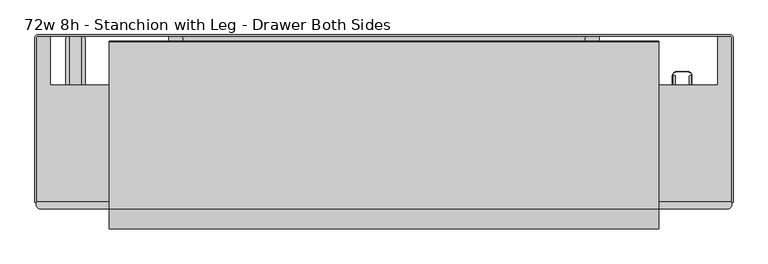
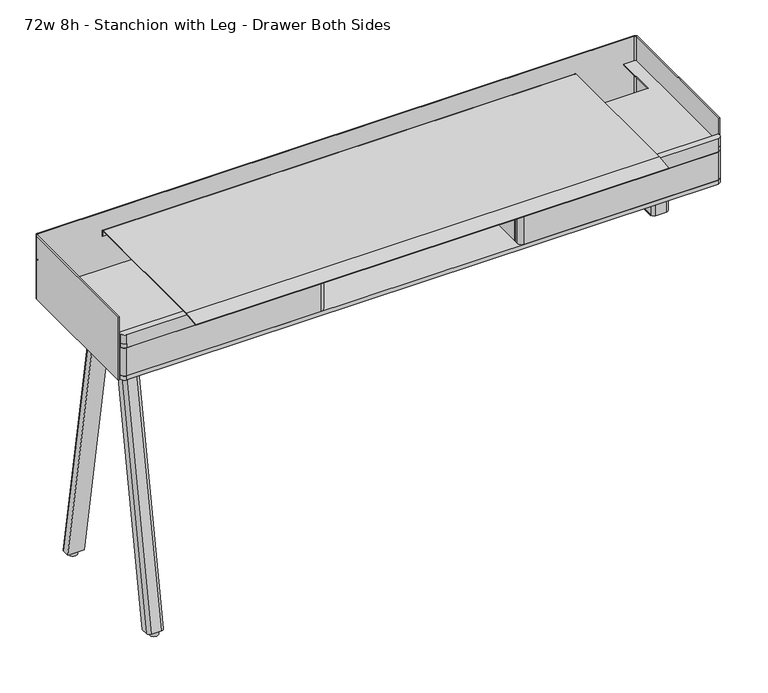
"""IFC4 building model written with IfcOpenShell, lengths in millimetres: furniture geometry, 72w 8h - Stanchion with Leg - Drawer Both Sides."""

from ifc_helpers import new_model, si_unit, point, frame, frame_2d, origin, origin_with_axes, place, context, project, spatial, polyline, circle_curve, trimmed, segment, composite_curve, outline, extrude, source, transform, mapped, element, save
from ifc_brep_helpers import plane_surface, cylinder_surface, extruded_surface, advanced_brep


def furniture_72w_8h_stanchion_with_leg_drawer_both_sides_f24aacc6(model_context):
    return source(origin(), model_context, "Body", "SolidModel", [
        extrude(outline(composite_curve([segment(polyline([(802.7063448, -138.5569981), (806.45, -138.5569981), (806.45, -382.1430019), (802.7063448, -382.1430019)]), True, "CONTINUOUS"), segment(trimmed(circle_curve(frame_2d((802.7063448, -378.967905)), 3.1750969), [point((802.7063448, -382.1430019))], [point((799.5312479, -378.967905))], False, "CARTESIAN"), True, "CONTINUOUS"), segment(polyline([(799.5312479, -378.967905), (799.5312479, -350.510544)]), True, "CONTINUOUS"), segment(trimmed(circle_curve(frame_2d((796.3606339, -350.510544)), 3.170614), [point((799.5312479, -350.510544))], [point((796.3606339, -347.3399301))], True, "CARTESIAN"), True, "CONTINUOUS"), segment(polyline([(796.3606339, -347.3399301), (762.5842298, -347.3399301), (762.5842298, -382.1430019), (755.65, -382.1430019), (755.65, -138.5569981), (762.5842298, -138.5569981), (762.5842298, -173.3600699), (796.3606339, -173.3600699)]), True, "CONTINUOUS"), segment(trimmed(circle_curve(frame_2d((796.3606339, -170.189456)), 3.170614), [point((796.3606339, -173.3600699))], [point((799.5312479, -170.189456))], True, "CARTESIAN"), True, "CONTINUOUS"), segment(polyline([(799.5312479, -170.189456), (799.5312479, -141.732095)]), True, "CONTINUOUS"), segment(trimmed(circle_curve(frame_2d((802.7063448, -141.732095)), 3.1750969), [point((799.5312479, -141.732095))], [point((802.7063448, -138.5569981))], False, "CARTESIAN"), True, "CONTINUOUS")], self_intersect=False)), frame((0.0, 0.0, 741.3625), z_axis=(0.0, 0.0, 1.0), x_axis=(1.0, 0.0, 0.0)), (0.0, 0.0, 1.0), 2.778125),
        extrude(outline(composite_curve([segment(trimmed(circle_curve(frame_2d((796.925, -138.1125)), 9.525), [point((796.925, -128.5875))], [point((806.45, -138.1125))], False, "CARTESIAN"), True, "CONTINUOUS"), segment(polyline([(806.45, -138.1125), (806.45, -382.5875)]), True, "CONTINUOUS"), segment(trimmed(circle_curve(frame_2d((796.925, -382.5875)), 9.525), [point((806.45, -382.5875))], [point((796.925, -392.1125))], False, "CARTESIAN"), True, "CONTINUOUS"), segment(polyline([(796.925, -392.1125), (765.175, -392.1125)]), True, "CONTINUOUS"), segment(trimmed(circle_curve(frame_2d((765.175, -382.5875)), 9.525), [point((765.175, -392.1125))], [point((755.65, -382.5875))], False, "CARTESIAN"), True, "CONTINUOUS"), segment(polyline([(755.65, -382.5875), (755.65, -138.1125)]), True, "CONTINUOUS"), segment(trimmed(circle_curve(frame_2d((765.175, -138.1125)), 9.525), [point((755.65, -138.1125))], [point((765.175, -128.5875))], False, "CARTESIAN"), True, "CONTINUOUS"), segment(polyline([(765.175, -128.5875), (796.925, -128.5875)]), True, "CONTINUOUS")], self_intersect=False), holes=[composite_curve([segment(polyline([(796.925, -130.175), (765.175, -130.175)]), True, "CONTINUOUS"), segment(trimmed(circle_curve(frame_2d((765.175, -138.1125)), 7.9375), [point((765.175, -130.175))], [point((757.2375, -138.1125))], True, "CARTESIAN"), True, "CONTINUOUS"), segment(polyline([(757.2375, -138.1125), (757.2375, -382.5875)]), True, "CONTINUOUS"), segment(trimmed(circle_curve(frame_2d((765.175, -382.5875)), 7.9375), [point((757.2375, -382.5875))], [point((765.175, -390.525))], True, "CARTESIAN"), True, "CONTINUOUS"), segment(polyline([(765.175, -390.525), (796.925, -390.525)]), True, "CONTINUOUS"), segment(trimmed(circle_curve(frame_2d((796.925, -382.5875)), 7.9375), [point((796.925, -390.525))], [point((804.8625, -382.5875))], True, "CARTESIAN"), True, "CONTINUOUS"), segment(polyline([(804.8625, -382.5875), (804.8625, -138.1125)]), True, "CONTINUOUS"), segment(trimmed(circle_curve(frame_2d((796.925, -138.1125)), 7.9375), [point((804.8625, -138.1125))], [point((796.925, -130.175))], True, "CARTESIAN"), True, "CONTINUOUS")], self_intersect=False)]), frame((0.0, 0.0, 744.140625), z_axis=(0.0, 0.0, 1.0), x_axis=(1.0, 0.0, 0.0)), (0.0, 0.0, 1.0), 106.759375),
        advanced_brep(
        [(-792.1625, -178.990625, 850.9), (-823.9125, -178.990625, 850.9), (-833.4375, -188.515625, 850.9), (-833.4375, -209.153125, 850.9), (-782.6375, -209.153125, 850.9), (-782.6375, -188.515625, 850.9), (-792.1625, -33.3375, 12.7), (-782.6375, -42.8625, 12.7), (-782.6375, -63.5, 12.7), (-833.4375, -63.5, 12.7), (-833.4375, -42.8625, 12.7), (-823.9125, -33.3375, 12.7)],
        [
            (0, 1),
            (1, 2, circle_curve(frame((-823.9125, -188.515625, 850.9), z_axis=(0.0, 0.0, 1.0), x_axis=(1.0, 0.0, 0.0)), 9.525)),
            (2, 3),
            (3, 4),
            (4, 5),
            (5, 0, circle_curve(frame((-792.1625, -188.515625, 850.9), z_axis=(0.0, 0.0, 1.0), x_axis=(1.0, 0.0, 0.0)), 9.525)),
            (6, 7, circle_curve(frame((-792.1625, -42.8625, 12.7), z_axis=(0.0, 0.0, -1.0), x_axis=(1.0, 0.0, 0.0)), 9.525)),
            (7, 8),
            (8, 9),
            (9, 10),
            (10, 11, circle_curve(frame((-823.9125, -42.8625, 12.7), z_axis=(0.0, 0.0, -1.0), x_axis=(1.0, 0.0, 0.0)), 9.525)),
            (11, 6),
            (6, 0),
            (5, 7),
            (4, 8),
            (3, 9),
            (2, 10),
            (1, 11),
        ],
        [
            plane_surface(frame((-808.0375, -192.2197917, 850.9), z_axis=(0.0, 0.0, 1.0), x_axis=(0.0, 1.0, 0.0))),
            plane_surface(frame((-808.0375, -46.5666667, 12.7), z_axis=(0.0, 0.0, -1.0), x_axis=(0.0, 1.0, 0.0))),
            extruded_surface(trimmed(circle_curve(frame((-792.1625, -42.8625, 12.7), z_axis=(0.0, 0.0, 1.0), x_axis=(1.0, 0.0, 0.0)), 9.525), [point((-782.6375, -42.8625, 12.7))], [point((-792.1625, -33.3375, 12.7))], True, "CARTESIAN"), (0.0, -145.653125, 838.1999999999999), 850.7608787563432),
            plane_surface(frame((-782.6375, -53.18125, 12.7), z_axis=(1.0, 0.0, 0.0), x_axis=(0.0, 1.0, 0.0))),
            plane_surface(frame((-808.0375, -63.5, 12.7), z_axis=(0.0, -0.9852357118551242, -0.17120336470211966), x_axis=(1.0, 0.0, 0.0))),
            plane_surface(frame((-833.4375, -53.18125, 12.7), z_axis=(-1.0, 0.0, 0.0), x_axis=(0.0, -1.0, 0.0))),
            extruded_surface(trimmed(circle_curve(frame((-823.9125, -42.8625, 12.7), z_axis=(0.0, 0.0, 1.0), x_axis=(1.0, 0.0, 0.0)), 9.525), [point((-823.9125, -33.3375, 12.7))], [point((-833.4375, -42.8625, 12.7))], True, "CARTESIAN"), (0.0, -145.653125, 838.1999999999999), 850.7608787563432),
            plane_surface(frame((-808.0375, -33.3375, 12.7), z_axis=(0.0, 0.9852357118551242, 0.17120336470211966), x_axis=(-1.0, 0.0, 0.0))),
        ],
        [
            (0, [[1, 2, 3, 4, 5, 6]]),
            (1, [[7, 8, 9, 10, 11, 12]]),
            (2, [[-7, 13, -6, 14]]),
            (3, [[-8, -14, -5, 15]]),
            (4, [[-9, -15, -4, 16]]),
            (5, [[-10, -16, -3, 17]]),
            (6, [[-11, -17, -2, 18]]),
            (7, [[-12, -18, -1, -13]]),
        ],
    ),
        advanced_brep(
        [(-792.1625, -341.709375, 850.9), (-782.6375, -332.184375, 850.9), (-782.6375, -311.546875, 850.9), (-833.4375, -311.546875, 850.9), (-833.4375, -332.184375, 850.9), (-823.9125, -341.709375, 850.9), (-792.1625, -487.3625, 12.7), (-823.9125, -487.3625, 12.7), (-833.4375, -477.8375, 12.7), (-833.4375, -457.2, 12.7), (-782.6375, -457.2, 12.7), (-782.6375, -477.8375, 12.7)],
        [
            (0, 1, circle_curve(frame((-792.1625, -332.184375, 850.9), z_axis=(0.0, 0.0, 1.0), x_axis=(1.0, 0.0, 0.0)), 9.525)),
            (1, 2),
            (2, 3),
            (3, 4),
            (4, 5, circle_curve(frame((-823.9125, -332.184375, 850.9), z_axis=(0.0, 0.0, 1.0), x_axis=(1.0, 0.0, 0.0)), 9.525)),
            (5, 0),
            (6, 7),
            (7, 8, circle_curve(frame((-823.9125, -477.8375, 12.7), z_axis=(0.0, 0.0, -1.0), x_axis=(1.0, 0.0, 0.0)), 9.525)),
            (8, 9),
            (9, 10),
            (10, 11),
            (11, 6, circle_curve(frame((-792.1625, -477.8375, 12.7), z_axis=(0.0, 0.0, -1.0), x_axis=(1.0, 0.0, 0.0)), 9.525)),
            (11, 1),
            (0, 6),
            (10, 2),
            (9, 3),
            (8, 4),
            (7, 5),
        ],
        [
            plane_surface(frame((-808.0375, -328.4802083, 850.9), z_axis=(0.0, 0.0, 1.0), x_axis=(-1.0, 0.0, 0.0))),
            plane_surface(frame((-808.0375, -474.1333333, 12.7), z_axis=(0.0, 0.0, -1.0), x_axis=(-1.0, 0.0, 0.0))),
            extruded_surface(trimmed(circle_curve(frame((-792.1625, -477.8375, 12.7), z_axis=(0.0, 0.0, 1.0), x_axis=(1.0, 0.0, 0.0)), 9.525), [point((-792.1625, -487.3625, 12.7))], [point((-782.6375, -477.8375, 12.7))], True, "CARTESIAN"), (0.0, 145.653125, 838.1999999999999), 850.7608787563432),
            plane_surface(frame((-782.6375, -467.51875, 12.7), z_axis=(1.0, 0.0, 0.0), x_axis=(0.0, 1.0, 0.0))),
            plane_surface(frame((-808.0375, -457.2, 12.7), z_axis=(0.0, 0.9852357118551246, -0.17120336470211656), x_axis=(-1.0, 0.0, 0.0))),
            plane_surface(frame((-833.4375, -467.51875, 12.7), z_axis=(-1.0, 0.0, 0.0), x_axis=(0.0, -1.0, 0.0))),
            extruded_surface(trimmed(circle_curve(frame((-823.9125, -477.8375, 12.7), z_axis=(0.0, 0.0, 1.0), x_axis=(1.0, 0.0, 0.0)), 9.525), [point((-833.4375, -477.8375, 12.7))], [point((-823.9125, -487.3625, 12.7))], True, "CARTESIAN"), (0.0, 145.653125, 838.1999999999999), 850.7608787563432),
            plane_surface(frame((-808.0375, -487.3625, 12.7), z_axis=(0.0, -0.9852357118551246, 0.17120336470211656), x_axis=(1.0, 0.0, 0.0))),
        ],
        [
            (0, [[1, 2, 3, 4, 5, 6]]),
            (1, [[7, 8, 9, 10, 11, 12]]),
            (2, [[-12, 13, -1, 14]]),
            (3, [[-11, 15, -2, -13]]),
            (4, [[-10, 16, -3, -15]]),
            (5, [[-9, 17, -4, -16]]),
            (6, [[-8, 18, -5, -17]]),
            (7, [[-7, -14, -6, -18]]),
        ],
    ),
        extrude(outline(composite_curve([segment(trimmed(circle_curve(frame_2d((-808.0375, -473.471875)), 12.7), [point((-820.7375, -473.471875))], [point((-795.3375, -473.471875))], False, "CARTESIAN"), True, "CONTINUOUS"), segment(trimmed(circle_curve(frame_2d((-808.0375, -473.471875)), 12.7), [point((-795.3375, -473.471875))], [point((-820.7375, -473.471875))], False, "CARTESIAN"), True, "CONTINUOUS")], self_intersect=False)), origin_with_axes(), (0.0, 0.0, 1.0), 12.7),
        extrude(outline(composite_curve([segment(trimmed(circle_curve(frame_2d((-808.0375, -47.228125)), 12.7), [point((-820.7375, -47.228125))], [point((-795.3375, -47.228125))], False, "CARTESIAN"), True, "CONTINUOUS"), segment(trimmed(circle_curve(frame_2d((-808.0375, -47.228125)), 12.7), [point((-795.3375, -47.228125))], [point((-820.7375, -47.228125))], False, "CARTESIAN"), True, "CONTINUOUS")], self_intersect=False)), origin_with_axes(), (0.0, 0.0, 1.0), 12.7),
        extrude(outline(composite_curve([segment(trimmed(circle_curve(frame_2d((-315.595017, 838.2)), 3.175), [point((-315.595017, 835.025))], [point((-318.770017, 838.2))], False, "CARTESIAN"), True, "CONTINUOUS"), segment(polyline([(-318.770017, 838.2), (-318.770017, 847.9155407)]), True, "CONTINUOUS"), segment(trimmed(circle_curve(frame_2d((-320.357517, 847.9155407)), 1.5875), [point((-318.770017, 847.9155407))], [point((-320.357517, 849.5030407))], True, "CARTESIAN"), True, "CONTINUOUS"), segment(polyline([(-320.357517, 849.5030407), (-334.5180201, 849.5030407), (-334.5180201, 851.0270029), (-320.4210184, 851.0270029)]), True, "CONTINUOUS"), segment(trimmed(circle_curve(frame_2d((-320.4210184, 847.8520029)), 3.175), [point((-320.4210184, 851.0270029))], [point((-317.2460184, 847.8520029))], False, "CARTESIAN"), True, "CONTINUOUS"), segment(polyline([(-317.2460184, 847.8520029), (-317.2460184, 838.1365349)]), True, "CONTINUOUS"), segment(trimmed(circle_curve(frame_2d((-315.6585184, 838.1365349)), 1.5875), [point((-317.2460184, 838.1365349))], [point((-315.6585184, 836.5490349))], True, "CARTESIAN"), True, "CONTINUOUS"), segment(polyline([(-315.6585184, 836.5490349), (-274.3835063, 836.5490349)]), True, "CONTINUOUS"), segment(trimmed(circle_curve(frame_2d((-274.3835063, 838.1365349)), 1.5875), [point((-274.3835063, 836.5490349))], [point((-272.7960063, 838.1365349))], True, "CARTESIAN"), True, "CONTINUOUS"), segment(polyline([(-272.7960063, 838.1365349), (-272.7960063, 847.8520029)]), True, "CONTINUOUS"), segment(trimmed(circle_curve(frame_2d((-269.6210063, 847.8520029)), 3.175), [point((-272.7960063, 847.8520029))], [point((-269.6210063, 851.0270029))], False, "CARTESIAN"), True, "CONTINUOUS"), segment(polyline([(-269.6210063, 851.0270029), (-255.5240228, 851.0270029), (-255.5240228, 849.5030407), (-269.6845078, 849.5030407)]), True, "CONTINUOUS"), segment(trimmed(circle_curve(frame_2d((-269.6845078, 847.9155407)), 1.5875), [point((-269.6845078, 849.5030407))], [point((-271.2720078, 847.9155407))], True, "CARTESIAN"), True, "CONTINUOUS"), segment(polyline([(-271.2720078, 847.9155407), (-271.2720078, 838.2)]), True, "CONTINUOUS"), segment(trimmed(circle_curve(frame_2d((-274.4470078, 838.2)), 3.175), [point((-271.2720078, 838.2))], [point((-274.4470078, 835.025))], False, "CARTESIAN"), True, "CONTINUOUS"), segment(polyline([(-274.4470078, 835.025), (-315.595017, 835.025)]), True, "CONTINUOUS")], self_intersect=False)), frame((-598.4875, 0.0, 0.0), z_axis=(1.0, 0.0, 0.0), x_axis=(0.0, 1.0, 0.0)), (0.0, 0.0, 1.0), 1196.975),
        extrude(outline(composite_curve([segment(polyline([(-540.5872772, 1000.5493443), (-540.8524136, 1002.435857), (-490.3475431, 1009.5339703), (-51.1737385, 1009.5339703)]), True, "CONTINUOUS"), segment(trimmed(circle_curve(frame_2d((-51.1737385, 1006.5440323)), 2.9899379), [point((-51.1737385, 1009.5339703))], [point((-48.1838005, 1006.5440323))], False, "CARTESIAN"), True, "CONTINUOUS"), segment(polyline([(-48.1838005, 1006.5440323), (-48.1838005, 989.2139896), (-50.0887998, 989.2139896), (-50.0887998, 1006.6125916)]), True, "CONTINUOUS"), segment(trimmed(circle_curve(frame_2d((-51.105207, 1006.6125916)), 1.0164071), [point((-50.0887998, 1006.6125916))], [point((-51.1052293, 1007.6289988))], True, "CARTESIAN"), True, "CONTINUOUS"), segment(polyline([(-51.1052293, 1007.6289988), (-490.2825111, 1007.6193342), (-540.5872772, 1000.5493443)]), True, "CONTINUOUS")], self_intersect=False)), frame((-719.1375, 0.0, 0.0), z_axis=(1.0, 0.0, 0.0), x_axis=(0.0, 1.0, 0.0)), (0.0, 0.0, 1.0), 1438.275),
        extrude(outline(composite_curve([segment(polyline([(-564.3244993, -35.9409999), (-533.3682493, -35.9409999)]), True, "CONTINUOUS"), segment(trimmed(circle_curve(frame_2d((-533.3682493, -42.2909999)), 6.35), [point((-533.3682493, -35.9409999))], [point((-527.0182493, -42.2909999))], False, "CARTESIAN"), True, "CONTINUOUS"), segment(polyline([(-527.0182493, -42.2909999), (-527.0182493, -469.8999858), (-911.225, -469.8999858), (-911.225, -42.2909999)]), True, "CONTINUOUS"), segment(trimmed(circle_curve(frame_2d((-904.875, -42.2909999)), 6.35), [point((-911.225, -42.2909999))], [point((-904.875, -35.9409999))], False, "CARTESIAN"), True, "CONTINUOUS"), segment(polyline([(-904.875, -35.9409999), (-873.9237324, -35.9409999), (-873.9237324, -163.4489964), (-564.3244993, -163.4489964), (-564.3244993, -35.9409999)]), True, "CONTINUOUS")], self_intersect=False)), frame((0.0, 0.0, 973.1375), z_axis=(0.0, 0.0, 1.0), x_axis=(1.0, 0.0, 0.0)), (0.0, 0.0, 1.0), 2.9765625),
        extrude(outline(composite_curve([segment(polyline([(564.3244993, -35.9409999), (564.3244993, -163.4489964), (873.9237324, -163.4489964), (873.9237324, -35.9409999), (904.875, -35.9409999)]), True, "CONTINUOUS"), segment(trimmed(circle_curve(frame_2d((904.875, -42.2909999)), 6.35), [point((904.875, -35.9409999))], [point((911.225, -42.2909999))], False, "CARTESIAN"), True, "CONTINUOUS"), segment(polyline([(911.225, -42.2909999), (911.225, -469.8999858), (527.0182493, -469.8999858), (527.0182493, -42.2909999)]), True, "CONTINUOUS"), segment(trimmed(circle_curve(frame_2d((533.3682493, -42.2909999)), 6.35), [point((527.0182493, -42.2909999))], [point((533.3682493, -35.9409999))], False, "CARTESIAN"), True, "CONTINUOUS"), segment(polyline([(533.3682493, -35.9409999), (564.3244993, -35.9409999)]), True, "CONTINUOUS")], self_intersect=False)), frame((0.0, 0.0, 973.1375), z_axis=(0.0, 0.0, 1.0), x_axis=(1.0, 0.0, 0.0)), (0.0, 0.0, 1.0), 2.9765625),
        extrude(outline(composite_curve([segment(trimmed(circle_curve(frame_2d((-906.1648437, -39.9851563)), 8.2351562), [point((-914.4, -39.9851563))], [point((-906.1648437, -31.75))], False, "CARTESIAN"), True, "CONTINUOUS"), segment(polyline([(-906.1648437, -31.75), (906.1648438, -31.75)]), True, "CONTINUOUS"), segment(trimmed(circle_curve(frame_2d((906.1648438, -39.9851563)), 8.2351563), [point((906.1648438, -31.75))], [point((914.4, -39.9851563))], False, "CARTESIAN"), True, "CONTINUOUS"), segment(polyline([(914.4, -39.9851563), (914.4, -471.4748312), (911.225, -471.4748312), (911.225, -39.9851563)]), True, "CONTINUOUS"), segment(trimmed(circle_curve(frame_2d((906.1648438, -39.9851563)), 5.0601563), [point((911.225, -39.9851563))], [point((906.1648438, -34.925))], True, "CARTESIAN"), True, "CONTINUOUS"), segment(polyline([(906.1648438, -34.925), (-906.1648437, -34.925)]), True, "CONTINUOUS"), segment(trimmed(circle_curve(frame_2d((-906.1648437, -39.9851563)), 5.0601563), [point((-906.1648437, -34.925))], [point((-911.225, -39.9851563))], True, "CARTESIAN"), True, "CONTINUOUS"), segment(polyline([(-911.225, -39.9851563), (-911.225, -471.4748312), (-914.4, -471.4748312), (-914.4, -39.9851563)]), True, "CONTINUOUS")], self_intersect=False)), frame((0.0, 0.0, 850.9), z_axis=(0.0, 0.0, 1.0), x_axis=(1.0, 0.0, 0.0)), (0.0, 0.0, 1.0), 203.2),
        extrude(outline(composite_curve([segment(polyline([(898.525, -488.95), (-898.525, -488.95)]), True, "CONTINUOUS"), segment(trimmed(circle_curve(frame_2d((-898.525, -476.25)), 12.7), [point((-898.525, -488.95))], [point((-911.225, -476.25))], False, "CARTESIAN"), True, "CONTINUOUS"), segment(polyline([(-911.225, -476.25), (-911.225, -166.1160172), (-567.5109085, -166.1160172)]), True, "CONTINUOUS"), segment(trimmed(circle_curve(frame_2d((-567.5109085, -158.9722672)), 7.14375), [point((-567.5109085, -166.1160172))], [point((-560.3671585, -158.9722672))], True, "CARTESIAN"), True, "CONTINUOUS"), segment(polyline([(-560.3671585, -158.9722672), (-560.3671585, -34.925), (560.3671948, -34.925), (560.3671948, -158.9722672)]), True, "CONTINUOUS"), segment(trimmed(circle_curve(frame_2d((567.5109448, -158.9722672)), 7.14375), [point((560.3671948, -158.9722672))], [point((567.5109448, -166.1160172))], True, "CARTESIAN"), True, "CONTINUOUS"), segment(polyline([(567.5109448, -166.1160172), (911.225, -166.1160172), (911.225, -476.25)]), True, "CONTINUOUS"), segment(trimmed(circle_curve(frame_2d((898.525, -476.25)), 12.7), [point((911.225, -476.25))], [point((898.525, -488.95))], False, "CARTESIAN"), True, "CONTINUOUS")], self_intersect=False)), frame((0.0, 0.0, 857.2500242), z_axis=(0.0, 0.0, 1.0), x_axis=(1.0, 0.0, 0.0)), (0.0, 0.0, 1.0), 12.6999516),
        extrude(outline(composite_curve([segment(polyline([(865.1875, -457.2000121), (-865.1875, -457.2000121)]), True, "CONTINUOUS"), segment(trimmed(circle_curve(frame_2d((-865.1875, -444.5000121)), 12.7), [point((-865.1875, -457.2000121))], [point((-877.8875, -444.5000121))], False, "CARTESIAN"), True, "CONTINUOUS"), segment(polyline([(-877.8875, -444.5000121), (-877.8875, -166.1160172), (-567.5109085, -166.1160172)]), True, "CONTINUOUS"), segment(trimmed(circle_curve(frame_2d((-567.5109085, -158.9722672)), 7.14375), [point((-567.5109085, -166.1160172))], [point((-560.3671585, -158.9722672))], True, "CARTESIAN"), True, "CONTINUOUS"), segment(polyline([(-560.3671585, -158.9722672), (-560.3671585, -35.1790143), (560.3671948, -35.1790143), (560.3671948, -158.9722672)]), True, "CONTINUOUS"), segment(trimmed(circle_curve(frame_2d((567.5109448, -158.9722672)), 7.14375), [point((560.3671948, -158.9722672))], [point((567.5109448, -166.1160172))], True, "CARTESIAN"), True, "CONTINUOUS"), segment(polyline([(567.5109448, -166.1160172), (877.8875, -166.1160172), (877.8875, -444.5000121)]), True, "CONTINUOUS"), segment(trimmed(circle_curve(frame_2d((865.1875, -444.5000121)), 12.7), [point((877.8875, -444.5000121))], [point((865.1875, -457.2000121))], False, "CARTESIAN"), True, "CONTINUOUS")], self_intersect=False)), frame((0.0, 0.0, 850.9), z_axis=(0.0, 0.0, 1.0), x_axis=(1.0, 0.0, 0.0)), (0.0, 0.0, 1.0), 6.3500242),
        extrude(outline(composite_curve([segment(trimmed(circle_curve(frame_2d((-307.975, -476.25)), 12.7), [point((-295.275, -476.25))], [point((-307.975, -488.95))], False, "CARTESIAN"), True, "CONTINUOUS"), segment(polyline([(-307.975, -488.95), (-898.525, -488.95)]), True, "CONTINUOUS"), segment(trimmed(circle_curve(frame_2d((-898.525, -476.25)), 12.7), [point((-898.525, -488.95))], [point((-911.225, -476.25))], False, "CARTESIAN"), True, "CONTINUOUS"), segment(polyline([(-911.225, -476.25), (-911.225, -468.775168), (-295.275, -468.775168), (-295.275, -476.25)]), True, "CONTINUOUS")], self_intersect=False)), frame((0.0, 0.0, 869.9499758), z_axis=(0.0, 0.0, 1.0), x_axis=(1.0, 0.0, 0.0)), (0.0, 0.0, 1.0), 90.4875),
        extrude(outline(composite_curve([segment(polyline([(295.275, -476.25), (295.275, -468.775168), (911.225, -468.775168), (911.225, -476.25)]), True, "CONTINUOUS"), segment(trimmed(circle_curve(frame_2d((898.525, -476.25)), 12.7), [point((911.225, -476.25))], [point((898.525, -488.95))], False, "CARTESIAN"), True, "CONTINUOUS"), segment(polyline([(898.525, -488.95), (307.975, -488.95)]), True, "CONTINUOUS"), segment(trimmed(circle_curve(frame_2d((307.975, -476.25)), 12.7), [point((307.975, -488.95))], [point((295.275, -476.25))], False, "CARTESIAN"), True, "CONTINUOUS")], self_intersect=False)), frame((0.0, 0.0, 869.9499758), z_axis=(0.0, 0.0, 1.0), x_axis=(1.0, 0.0, 0.0)), (0.0, 0.0, 1.0), 90.4875),
        advanced_brep(
        [(911.225, -166.1160172, 973.1375), (-911.225, -166.1160172, 973.1375), (-911.225, -469.8999858, 973.1375), (911.225, -469.8999858, 973.1375), (-911.225, -166.1160172, 960.4374758), (911.225, -166.1160172, 960.4374758), (911.225, -476.25, 960.4374758), (898.525, -488.95, 960.4374758), (-898.525, -488.95, 960.4374758), (-911.225, -476.25, 960.4374758), (-911.225, -476.25, 973.1375), (-911.225, -476.25, 1002.50625), (-911.225, -469.8999858, 1002.50625), (-898.525, -488.95, 973.1375), (898.525, -488.95, 973.1375), (898.525, -488.95, 1002.50625), (-898.525, -488.95, 1002.50625), (911.225, -476.25, 973.1375), (911.225, -469.8999858, 1002.50625), (911.225, -476.25, 1002.50625)],
        [
            (0, 1),
            (1, 2),
            (2, 3),
            (3, 0),
            (4, 5),
            (5, 6),
            (6, 7, circle_curve(frame((898.525, -476.25, 960.4374758), z_axis=(0.0, 0.0, -1.0), x_axis=(1.0, 0.0, 0.0)), 12.7)),
            (7, 8),
            (8, 9, circle_curve(frame((-898.525, -476.25, 960.4374758), z_axis=(0.0, 0.0, -1.0), x_axis=(1.0, 0.0, 0.0)), 12.7)),
            (9, 4),
            (9, 10),
            (10, 11),
            (11, 12),
            (12, 2),
            (1, 4),
            (8, 13),
            (13, 10, circle_curve(frame((-898.525, -476.25, 973.1375), z_axis=(0.0, 0.0, -1.0), x_axis=(1.0, 0.0, 0.0)), 12.7)),
            (7, 14),
            (14, 15),
            (15, 16),
            (16, 13),
            (6, 17),
            (17, 14, circle_curve(frame((898.525, -476.25, 973.1375), z_axis=(0.0, 0.0, -1.0), x_axis=(1.0, 0.0, 0.0)), 12.7)),
            (5, 0),
            (3, 18),
            (18, 19),
            (19, 17),
            (11, 16, circle_curve(frame((-898.525, -476.25, 1002.50625), z_axis=(0.0, 0.0, 1.0), x_axis=(1.0, 0.0, 0.0)), 12.7)),
            (15, 19, circle_curve(frame((898.525, -476.25, 1002.50625), z_axis=(0.0, 0.0, 1.0), x_axis=(1.0, 0.0, 0.0)), 12.7)),
            (18, 12),
        ],
        [
            plane_surface(frame((-911.225, -476.25, 973.1375), z_axis=(0.0, 0.0, 1.0), x_axis=(0.0, -1.0, 0.0))),
            plane_surface(frame((-911.225, -476.25, 960.4374758), z_axis=(0.0, 0.0, -1.0), x_axis=(0.0, 1.0, 0.0))),
            plane_surface(frame((-911.225, -166.1160172, 973.1375), z_axis=(-1.0, 0.0, 0.0), x_axis=(0.0, 0.0, -1.0))),
            cylinder_surface(frame((-898.525, -476.25, 960.4374758), z_axis=(0.0, 0.0, 1.0), x_axis=(1.0, 0.0, 0.0)), 12.7),
            plane_surface(frame((-898.525, -488.95, 973.1375), z_axis=(0.0, -1.0, 0.0), x_axis=(0.0, 0.0, -1.0))),
            cylinder_surface(frame((898.525, -476.25, 960.4374758), z_axis=(0.0, 0.0, 1.0), x_axis=(1.0, 0.0, 0.0)), 12.7),
            plane_surface(frame((911.225, -476.25, 973.1375), z_axis=(1.0, 0.0, 0.0), x_axis=(0.0, 0.0, -1.0))),
            plane_surface(frame((911.225, -166.1160172, 973.1375), z_axis=(0.0, 1.0, 0.0), x_axis=(0.0, 0.0, -1.0))),
            plane_surface(frame((-911.225, -476.25, 1002.50625), z_axis=(0.0, 0.0, 1.0), x_axis=(-7.929639144560415e-12, -1.0, 0.0))),
            cylinder_surface(frame((-898.525, -476.25, 973.1375), z_axis=(0.0, 0.0, 1.0), x_axis=(1.0, 0.0, 0.0)), 12.7),
            cylinder_surface(frame((898.525, -476.25, 973.1375), z_axis=(0.0, 0.0, 1.0), x_axis=(1.0, 0.0, 0.0)), 12.7),
            plane_surface(frame((911.225, -469.8999858, 1002.50625), z_axis=(0.0, 1.0, 0.0), x_axis=(0.0, 0.0, -1.0))),
        ],
        [
            (0, [[1, 2, 3, 4]]),
            (1, [[5, 6, 7, 8, 9, 10]]),
            (2, [[-10, 11, 12, 13, 14, -2, 15]]),
            (3, [[-9, 16, 17, -11]]),
            (4, [[-8, 18, 19, 20, 21, -16]]),
            (5, [[-7, 22, 23, -18]]),
            (6, [[-6, 24, -4, 25, 26, 27, -22]]),
            (7, [[-1, -24, -5, -15]]),
            (8, [[-13, 28, -20, 29, -26, 30]]),
            (9, [[-28, -12, -17, -21]]),
            (10, [[-29, -19, -23, -27]]),
            (11, [[-30, -25, -3, -14]]),
        ],
    ),
        extrude(outline(polyline([(-295.275, -185.0643922), (-295.275, -464.4644306), (-314.325, -464.4644306), (-314.325, -185.0643922), (-295.275, -185.0643922)])), frame((0.0, 0.0, 869.9499758), z_axis=(0.0, 0.0, 1.0), x_axis=(1.0, 0.0, 0.0)), (0.0, 0.0, 1.0), 90.4875),
        extrude(outline(polyline([(295.275, -185.0643922), (314.325, -185.0643922), (314.325, -464.4644306), (295.275, -464.4644306), (295.275, -185.0643922)])), frame((0.0, 0.0, 869.9499758), z_axis=(0.0, 0.0, 1.0), x_axis=(1.0, 0.0, 0.0)), (0.0, 0.0, 1.0), 90.4875),
    ])


if __name__ == "__main__":
    model = new_model("IFC4")
    model_context = context("Model", 3, world=origin())
    ifc_project = project(units=[si_unit("LENGTHUNIT", "METRE", prefix="MILLI")], contexts=[model_context])
    site = spatial("IfcSite", under=ifc_project)
    building = spatial("IfcBuilding", under=site)
    placement = place(None, origin())
    furniture_72w_8h_stanchion_with_leg_drawer_both_sides_shape = furniture_72w_8h_stanchion_with_leg_drawer_both_sides_f24aacc6(model_context)
    element("IfcFurniture", 1, ObjectType="72w 8h - Stanchion with Leg - Drawer Both Sides", at=placement, inside=building, context=model_context, shape_type="MappedRepresentation", body=[
        mapped(furniture_72w_8h_stanchion_with_leg_drawer_both_sides_shape, transform((0.0, 0.0, 0.0), x_axis=(1.0, 0.0, 0.0), y_axis=(0.0, 1.0, 0.0), z_axis=(0.0, 0.0, 1.0))),
    ])
    save(model, "model.ifc")
